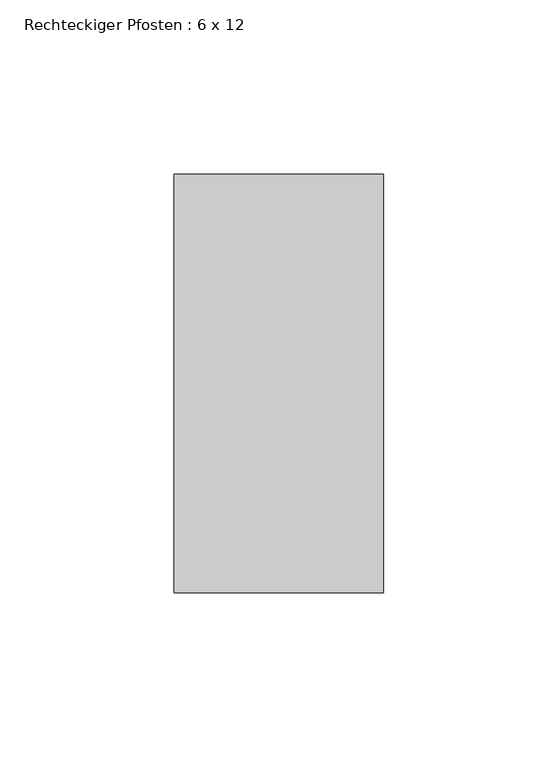
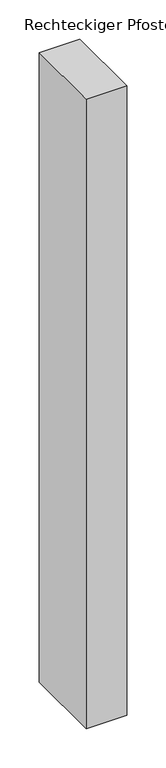
"""IFC4 building model written with IfcOpenShell, lengths in millimetres: member geometry, Rechteckiger Pfosten : 6 x 12."""

from ifc_helpers import new_model, si_unit, frame, origin, place, context, project, spatial, polyline, outline, extrude, source, transform, mapped, element, save


def rechteckiger_pfosten_6_x_12_84d72c81(model_context):
    return source(origin(), model_context, "Body", "SweptSolid", [
        extrude(outline(polyline([(30.0, 60.0), (30.0, -60.0), (-30.0, -60.0), (-30.0, 60.0), (30.0, 60.0)])), frame((0.0, 0.0, -981.6674959), z_axis=(0.0, 0.0, 1.0), x_axis=(1.0, 0.0, 0.0)), (0.0, 0.0, 1.0), 981.6674959),
    ])


if __name__ == "__main__":
    model = new_model("IFC4")
    model_context = context("Model", 3, world=origin())
    ifc_project = project(units=[si_unit("LENGTHUNIT", "METRE", prefix="MILLI")], contexts=[model_context])
    site = spatial("IfcSite", under=ifc_project)
    building = spatial("IfcBuilding", under=site)
    placement = place(None, origin())
    rechteckiger_pfosten_6_x_12_shape = rechteckiger_pfosten_6_x_12_84d72c81(model_context)
    element("IfcMember", 1, ObjectType="Rechteckiger Pfosten : 6 x 12", at=placement, inside=building, context=model_context, shape_type="MappedRepresentation", body=[
        mapped(rechteckiger_pfosten_6_x_12_shape, transform((0.0, 0.0, 0.0), x_axis=(1.0, 0.0, 0.0), y_axis=(0.0, 1.0, 0.0), z_axis=(0.0, 0.0, 1.0))),
    ])
    save(model, "model.ifc")
